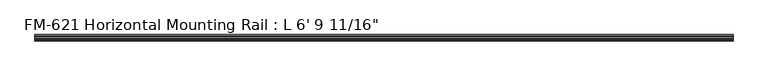
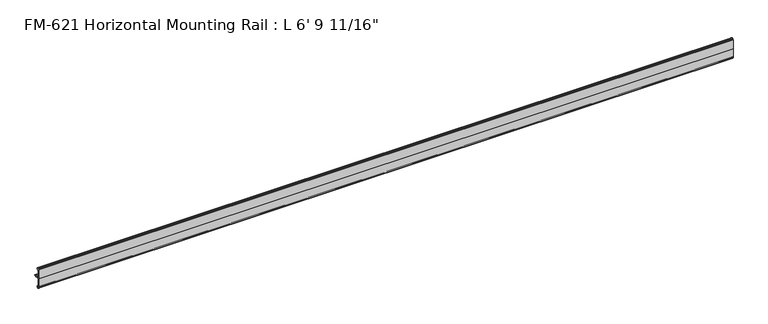
"""IFC4 building model written with IfcOpenShell, lengths in millimetres: proxy geometry."""

from ifc_helpers import new_model, si_unit, point, frame, frame_2d, origin, place, context, project, spatial, polyline, circle_curve, trimmed, segment, composite_curve, outline, extrude, source, transform, mapped, element, save


def proxy_4d4024d5(model_context):
    return source(origin(), model_context, "Body", "SweptSolid", [
        extrude(outline(composite_curve([segment(trimmed(circle_curve(frame_2d((-14.5481808, 29.2063136)), 3.048), [point((-13.6400687, 32.1158903))], [point((-11.9462301, 30.7938136))], False, "CARTESIAN"), True, "CONTINUOUS"), segment(trimmed(circle_curve(frame_2d((-14.5481808, 29.2063136)), 3.048), [point((-11.9462301, 30.7938136))], [point((-13.6400687, 26.2967369))], False, "CARTESIAN"), True, "CONTINUOUS"), segment(polyline([(-13.6400687, 26.2967369), (-15.4364113, 25.7360779)]), True, "CONTINUOUS"), segment(trimmed(circle_curve(frame_2d((-15.6245238, 26.2747792)), 0.5706009), [point((-15.4364113, 25.7360779))], [point((-16.1779173, 26.4138515))], False, "CARTESIAN"), True, "CONTINUOUS"), segment(trimmed(circle_curve(frame_2d((-16.9169378, 26.5995734)), 0.762), [point((-16.1779173, 26.4138515))], [point((-16.9376166, 27.3612928))], True, "CARTESIAN"), True, "CONTINUOUS"), segment(trimmed(circle_curve(frame_2d((-16.9545, 26.8535734)), 0.508), [point((-16.9376166, 27.3612928))], [point((-17.4625, 26.8535734))], True, "CARTESIAN"), True, "CONTINUOUS"), segment(polyline([(-17.4625, 26.8535734), (-17.4625, 15.6659614), (-17.9716639, 14.7485418), (-17.9716639, 13.408381), (-17.4625, 12.4909614), (-17.4625, 3.5152595)]), True, "CONTINUOUS"), segment(trimmed(circle_curve(frame_2d((-15.5575, 3.5152595)), 1.905), [point((-17.4625, 3.5152595))], [point((-15.5575, 1.6102595))], True, "CARTESIAN"), True, "CONTINUOUS"), segment(polyline([(-15.5575, 1.6102595), (-6.3855322, 1.6102595)]), True, "CONTINUOUS"), segment(trimmed(circle_curve(frame_2d((-4.7981953, 1.5875)), 1.5875), [point((-6.3855322, 1.6102595))], [point((-3.2106953, 1.5875))], False, "CARTESIAN"), True, "CONTINUOUS"), segment(polyline([(-3.2106953, 1.5875), (0.0, 1.5875), (0.0, 0.0), (-3.2106953, 0.0)]), True, "CONTINUOUS"), segment(trimmed(circle_curve(frame_2d((-4.7981953, 0.0)), 1.5875), [point((-3.2106953, 0.0))], [point((-6.3855322, -0.0227595))], False, "CARTESIAN"), True, "CONTINUOUS"), segment(polyline([(-6.3855322, -0.0227595), (-15.5575, -0.0227595)]), True, "CONTINUOUS"), segment(trimmed(circle_curve(frame_2d((-15.5575, -1.9277595)), 1.905), [point((-15.5575, -0.0227595))], [point((-17.4625, -1.9277595))], True, "CARTESIAN"), True, "CONTINUOUS"), segment(polyline([(-17.4625, -1.9277595), (-17.4625, -10.9034614), (-17.9716639, -11.820881), (-17.9716639, -13.1610418), (-17.4625, -14.0784614), (-17.4625, -25.2660734)]), True, "CONTINUOUS"), segment(trimmed(circle_curve(frame_2d((-16.9545, -25.2660734)), 0.508), [point((-17.4625, -25.2660734))], [point((-16.9376166, -25.7737928))], True, "CARTESIAN"), True, "CONTINUOUS"), segment(trimmed(circle_curve(frame_2d((-16.9169378, -25.0120734)), 0.762), [point((-16.9376166, -25.7737928))], [point((-16.1779173, -24.8263515))], True, "CARTESIAN"), True, "CONTINUOUS"), segment(trimmed(circle_curve(frame_2d((-15.6245238, -24.6872792)), 0.5706009), [point((-16.1779173, -24.8263515))], [point((-15.4364113, -24.1485779))], False, "CARTESIAN"), True, "CONTINUOUS"), segment(polyline([(-15.4364113, -24.1485779), (-13.6400687, -24.7092369)]), True, "CONTINUOUS"), segment(trimmed(circle_curve(frame_2d((-14.5481808, -27.6188136)), 3.048), [point((-13.6400687, -24.7092369))], [point((-11.9462301, -29.2063136))], False, "CARTESIAN"), True, "CONTINUOUS"), segment(trimmed(circle_curve(frame_2d((-14.5481808, -27.6188136)), 3.048), [point((-11.9462301, -29.2063136))], [point((-13.6400687, -30.5283903))], False, "CARTESIAN"), True, "CONTINUOUS"), segment(polyline([(-13.6400687, -30.5283903), (-15.4750158, -31.1010982)]), True, "CONTINUOUS"), segment(trimmed(circle_curve(frame_2d((-15.6853088, -30.6811835)), 0.4696291), [point((-15.4750158, -31.1010982))], [point((-16.1549378, -30.6811835))], False, "CARTESIAN"), True, "CONTINUOUS"), segment(polyline([(-16.1549378, -30.6811835), (-16.1549378, -29.1395734)]), True, "CONTINUOUS"), segment(trimmed(circle_curve(frame_2d((-17.7424378, -29.1395734)), 1.5875), [point((-16.1549378, -29.1395734))], [point((-17.7424378, -27.5520734))], True, "CARTESIAN"), True, "CONTINUOUS"), segment(polyline([(-17.7424378, -27.5520734), (-19.05, -27.5520734), (-19.05, 0.0), (-19.05, 29.1395734), (-17.7424378, 29.1395734)]), True, "CONTINUOUS"), segment(trimmed(circle_curve(frame_2d((-17.7424378, 30.7270734)), 1.5875), [point((-17.7424378, 29.1395734))], [point((-16.1549378, 30.7270734))], True, "CARTESIAN"), True, "CONTINUOUS"), segment(polyline([(-16.1549378, 30.7270734), (-16.1549378, 32.2686835)]), True, "CONTINUOUS"), segment(trimmed(circle_curve(frame_2d((-15.6853088, 32.2686835)), 0.4696291), [point((-16.1549378, 32.2686835))], [point((-15.4750158, 32.6885982))], False, "CARTESIAN"), True, "CONTINUOUS"), segment(polyline([(-15.4750158, 32.6885982), (-13.6400687, 32.1158903)]), True, "CONTINUOUS")], self_intersect=False)), frame((0.0, 0.0, 0.0), z_axis=(1.0, 0.0, 0.0), x_axis=(0.0, 1.0, 0.0)), (0.0, 0.0, 1.0), 2074.8625),
    ])


if __name__ == "__main__":
    model = new_model("IFC4")
    model_context = context("Model", 3, world=origin())
    ifc_project = project(units=[si_unit("LENGTHUNIT", "METRE", prefix="MILLI")], contexts=[model_context])
    site = spatial("IfcSite", under=ifc_project)
    building = spatial("IfcBuilding", under=site)
    placement = place(None, origin())
    proxy_shape = proxy_4d4024d5(model_context)
    element("IfcBuildingElementProxy", 1, Name="FM-621 Horizontal Mounting Rail : L 6' 9 11/16\"", ObjectType="FM-621 Horizontal Mounting Rail : L 6' 9 11/16\"", at=placement, inside=building, context=model_context, shape_type="MappedRepresentation", body=[
        mapped(proxy_shape, transform((0.0, 0.0, 0.0), x_axis=(1.0, 0.0, 0.0), y_axis=(0.0, 1.0, 0.0), z_axis=(0.0, 0.0, 1.0))),
    ])
    save(model, "model.ifc")
